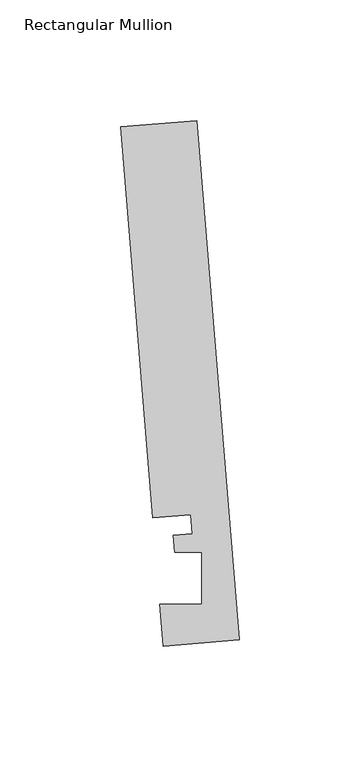
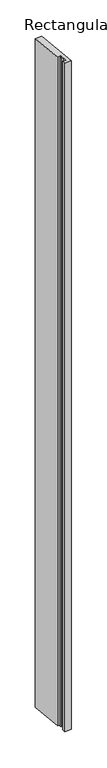
"""IFC4 building model written with IfcOpenShell, lengths in millimetres: member geometry, Rectangular Mullion."""

import ifcopenshell
import ifcopenshell.guid

model = None  # the IFC model being written
_history = None  # IfcOwnerHistory: only IFC2X3 demands one
_inside = {}  # id of a spatial element -> (the spatial element, [elements in it])
_under = {}  # id of a project, library or spatial element -> (it, [spatial elements below it])
_declared = {}  # id of a project -> (the project, [libraries it declares])
_typed = {}  # id of a type object -> (the type object, [elements of that type])
_made_of = {}  # id of a material, layer set ... -> (it, [elements and type objects made of it])


def new_model(schema):
    """Start an empty IFC model of exactly this schema.

    Asked for "IFC4X3", IfcOpenShell would pick the latest addendum, in which some entities
    have other attributes; the version numbers below select the first issue.
    IFC2X3 requires an IfcOwnerHistory on every rooted entity: one is made here for all.
    """
    global model, _history
    if schema == "IFC4X3":
        model = ifcopenshell.file(schema_version=(4, 3, 0, 0))
    else:
        model = ifcopenshell.file(schema=schema)
    _inside.clear()
    _under.clear()
    _declared.clear()
    _typed.clear()
    _made_of.clear()
    _history = None
    if model.schema == "IFC2X3":
        org = make("IfcOrganization", Name="unknown")
        user = make(
            "IfcPersonAndOrganization",
            ThePerson=make("IfcPerson", FamilyName="unknown"),
            TheOrganization=org,
        )
        app = make(
            "IfcApplication",
            ApplicationDeveloper=org,
            Version="unknown",
            ApplicationFullName="unknown",
            ApplicationIdentifier="unknown",
        )
        _history = make(
            "IfcOwnerHistory",
            OwningUser=user,
            OwningApplication=app,
            ChangeAction="ADDED",
            CreationDate=0,
        )
    return model


def make(cls, **values):
    """One entity of the class cls with the attributes given. An attribute that is None is left unset."""
    return model.create_entity(
        cls, **{name: value for name, value in values.items() if value is not None}
    )


def rooted(cls, **values):
    """An entity with a GlobalId (a new one), such as an element, a storey or a relation."""
    return make(cls, GlobalId=ifcopenshell.guid.new(), OwnerHistory=_history, **values)


def si_unit(unit_type, name, prefix=None):
    """IfcSIUnit, for example si_unit("LENGTHUNIT", "METRE", prefix="MILLI")."""
    return make("IfcSIUnit", UnitType=unit_type, Prefix=prefix, Name=name)


def assignment(units):
    """IfcUnitAssignment: the units of a project."""
    return None if units is None else make("IfcUnitAssignment", Units=units)


def point(xyz):
    """IfcCartesianPoint."""
    return None if xyz is None else make("IfcCartesianPoint", Coordinates=xyz)


def direction(xyz):
    """IfcDirection."""
    return None if xyz is None else make("IfcDirection", DirectionRatios=xyz)


def frame(location, z_axis=None, x_axis=None):
    """IfcAxis2Placement3D, a coordinate frame: its origin and axes. An axis left out is left unset."""
    return make(
        "IfcAxis2Placement3D",
        Location=point(location),
        Axis=direction(z_axis),
        RefDirection=direction(x_axis),
    )


def origin():
    """The frame at (0, 0, 0) with its axes left unset."""
    return frame((0.0, 0.0, 0.0))


def place(relative_to, where):
    """IfcLocalPlacement: puts the frame where relative to a parent placement (None: the world)."""
    return make(
        "IfcLocalPlacement", PlacementRelTo=relative_to, RelativePlacement=where
    )


def context(
    kind, dimensions, precision=None, world=None, true_north=None, identifier=None
):
    """IfcGeometricRepresentationContext, for example the 3D "Model" context."""
    return make(
        "IfcGeometricRepresentationContext",
        ContextIdentifier=identifier,
        ContextType=kind,
        CoordinateSpaceDimension=dimensions,
        Precision=precision,
        WorldCoordinateSystem=world,
        TrueNorth=true_north,
    )


def project(units=None, contexts=None):
    """IfcProject with its units and contexts."""
    return rooted(
        "IfcProject",
        Name="project",
        RepresentationContexts=contexts,
        UnitsInContext=assignment(units),
    )


def spatial(cls, under=None, at=None, **own):
    """A site, building, storey or space (cls), placed at a placement, below another one or the project."""
    s = rooted(cls, ObjectPlacement=at, **own)
    if under is not None:
        _under.setdefault(under.id(), (under, []))[1].append(s)
    return s


def polyline(points):
    """IfcPolyline through the points."""
    return make("IfcPolyline", Points=[point(p) for p in points])


def outline(outer, holes=None, kind="AREA"):
    """IfcArbitraryClosedProfileDef: a profile drawn as a closed curve; with holes, ...WithVoids."""
    if holes is None:
        return make("IfcArbitraryClosedProfileDef", ProfileType=kind, OuterCurve=outer)
    return make(
        "IfcArbitraryProfileDefWithVoids",
        ProfileType=kind,
        OuterCurve=outer,
        InnerCurves=holes,
    )


def extrude(swept, where, along, depth):
    """IfcExtrudedAreaSolid: the profile swept, set in the frame where, extruded along a direction by depth."""
    return make(
        "IfcExtrudedAreaSolid",
        SweptArea=swept,
        Position=where,
        ExtrudedDirection=direction(along),
        Depth=depth,
    )


def shape(context_of_items, identifier, shape_type, items):
    """IfcShapeRepresentation: the items that make up one representation, for example the "Body"."""
    return make(
        "IfcShapeRepresentation",
        ContextOfItems=context_of_items,
        RepresentationIdentifier=identifier,
        RepresentationType=shape_type,
        Items=items,
    )


def source(mapping_origin, context_of_items, identifier, shape_type, items):
    """IfcRepresentationMap: a shape defined once, which mapped items show again and again."""
    return make(
        "IfcRepresentationMap",
        MappingOrigin=mapping_origin,
        MappedRepresentation=shape(context_of_items, identifier, shape_type, items),
    )


def transform(
    local_origin,
    x_axis=None,
    y_axis=None,
    z_axis=None,
    scale=None,
    scale2=None,
    scale3=None,
    uniform=True,
):
    """IfcCartesianTransformationOperator3D, or its non-uniform kind. x_axis, y_axis, z_axis: its Axis1, 2, 3."""
    if uniform:
        return make(
            "IfcCartesianTransformationOperator3D",
            Axis1=direction(x_axis),
            Axis2=direction(y_axis),
            LocalOrigin=point(local_origin),
            Scale=scale,
            Axis3=direction(z_axis),
        )
    return make(
        "IfcCartesianTransformationOperator3DnonUniform",
        Axis1=direction(x_axis),
        Axis2=direction(y_axis),
        LocalOrigin=point(local_origin),
        Scale=scale,
        Axis3=direction(z_axis),
        Scale2=scale2,
        Scale3=scale3,
    )


def mapped(mapping_source, mapping_target):
    """IfcMappedItem: shows the shape of a source again, moved by a transform."""
    return make(
        "IfcMappedItem", MappingSource=mapping_source, MappingTarget=mapping_target
    )


def made_of(thing, what):
    """Note that an element or type object is made of a material, layer set ...; save() writes the relation."""
    if what is not None:
        _made_of.setdefault(what.id(), (what, []))[1].append(thing)
    return thing


def element(
    cls,
    number,
    at=None,
    inside=None,
    cuts=None,
    type_object=None,
    material=None,
    context=None,
    identifier="Body",
    shape_type=None,
    held_by="IfcProductDefinitionShape",
    body=None,
    shapes=None,
    **own,
):
    """One element of the class cls, such as IfcWall. Its Tag is "e" and its number.

    at: its placement. inside: the storey or other place that contains it. cuts: it is an
    opening in that element (IfcRelVoidsElement). A single representation is given by context,
    identifier, shape_type and body (its items); several are given by shapes. held_by: the class
    of the entity that holds the representations. save() writes the other relations.
    """
    e = rooted(cls, Tag="e%d" % number, ObjectPlacement=at, **own)
    if body is not None:
        shapes = [shape(context, identifier, shape_type, body)]
    if shapes is not None:
        e.Representation = make(held_by, Representations=shapes)
    if inside is not None:
        _inside.setdefault(inside.id(), (inside, []))[1].append(e)
    if cuts is not None:
        rooted(
            "IfcRelVoidsElement", RelatingBuildingElement=cuts, RelatedOpeningElement=e
        )
    if type_object is not None:
        _typed.setdefault(type_object.id(), (type_object, []))[1].append(e)
    return made_of(e, material)


def aggregate(whole, parts):
    """IfcRelAggregates: a whole, such as a stair, and the parts it consists of."""
    return rooted("IfcRelAggregates", RelatingObject=whole, RelatedObjects=parts)


def save(model, path):
    """Write the relations noted so far, then the file.

    IfcRelAggregates (storeys below a building ...), IfcRelContainedInSpatialStructure (elements
    in a storey), IfcRelDefinesByType, IfcRelAssociatesMaterial and IfcRelDeclares: one each for
    every whole, place, type object, material and project.
    """
    for whole, parts in _under.values():
        aggregate(whole, parts)
    for where, things in _inside.values():
        rooted(
            "IfcRelContainedInSpatialStructure",
            RelatedElements=things,
            RelatingStructure=where,
        )
    for kind, things in _typed.values():
        rooted("IfcRelDefinesByType", RelatedObjects=things, RelatingType=kind)
    for what, things in _made_of.values():
        rooted("IfcRelAssociatesMaterial", RelatedObjects=things, RelatingMaterial=what)
    for by, libraries in _declared.values():
        rooted("IfcRelDeclares", RelatingContext=by, RelatedDefinitions=libraries)
    model.write(path)


def rectangular_mullion_ea4c3f10(model_context):
    return source(origin(), model_context, "Body", "SweptSolid", [
        extrude(outline(polyline([(-0.2190396, 2.6699364), (-31.8627302, 0.0739116), (-33.2772473, 17.315866), (-15.8506254, 17.315866), (-15.848851, 38.9474576), (-27.100463, 38.9474576), (-27.6861262, 46.0862742), (-19.7625461, 46.7363188), (-20.4084371, 54.6092691), (-36.2302824, 53.3112566), (-49.5364672, 215.5041572), (-17.8927766, 218.100182), (-0.2190396, 2.6699364)])), frame((0.0, 0.0, -3372.7100337), z_axis=(0.0, 0.0, 1.0), x_axis=(1.0, 0.0, 0.0)), (0.0, 0.0, 1.0), 3372.7100337),
    ])


if __name__ == "__main__":
    model = new_model("IFC4")
    model_context = context("Model", 3, world=origin())
    ifc_project = project(units=[si_unit("LENGTHUNIT", "METRE", prefix="MILLI")], contexts=[model_context])
    site = spatial("IfcSite", under=ifc_project)
    building = spatial("IfcBuilding", under=site)
    placement = place(None, origin())
    rectangular_mullion_shape = rectangular_mullion_ea4c3f10(model_context)
    element("IfcMember", 1, ObjectType="Rectangular Mullion", at=placement, inside=building, context=model_context, shape_type="MappedRepresentation", body=[
        mapped(rectangular_mullion_shape, transform((0.0, 0.0, 0.0), x_axis=(1.0, 0.0, 0.0), y_axis=(0.0, 1.0, 0.0), z_axis=(0.0, 0.0, 1.0))),
    ])
    save(model, "model.ifc")
